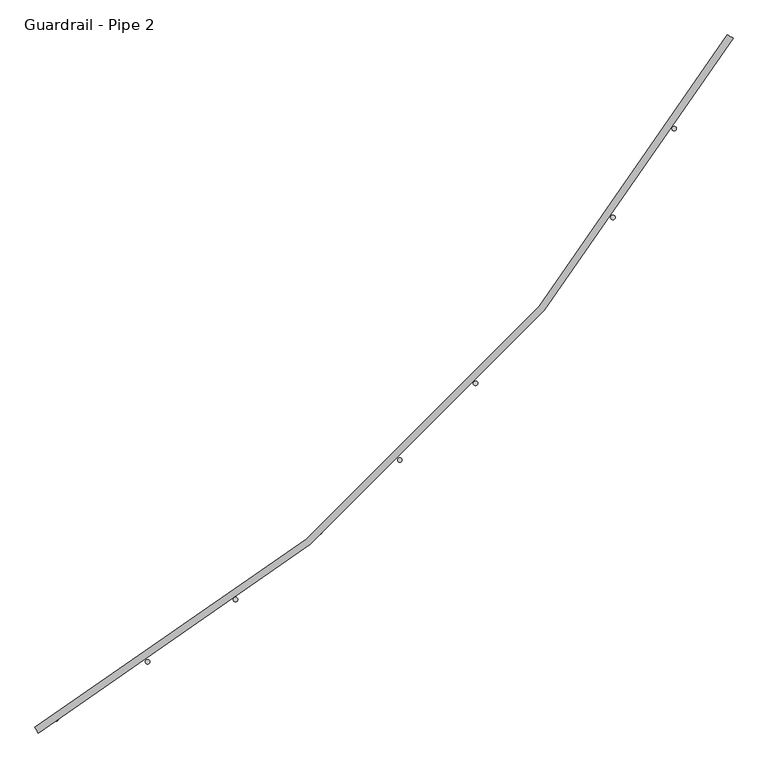
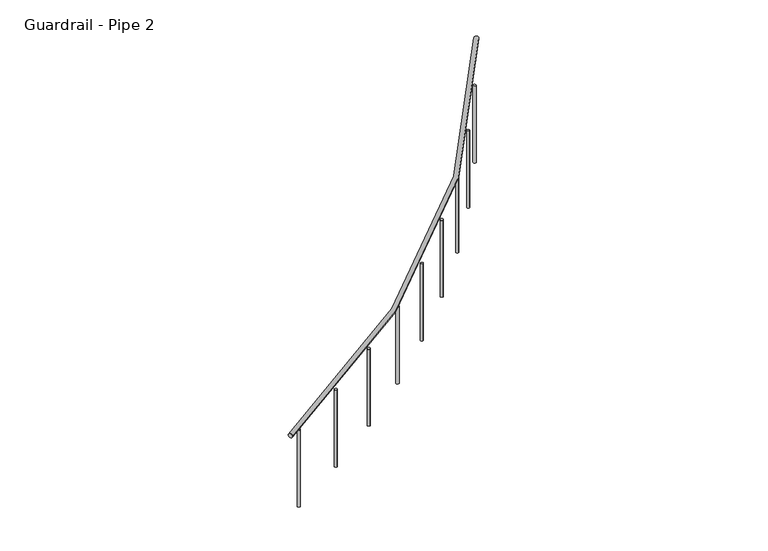
"""IFC4 building model written with IfcOpenShell, lengths in millimetres: railing geometry, Guardrail - Pipe 2."""

import ifcopenshell
import ifcopenshell.guid

model = None  # the IFC model being written
_history = None  # IfcOwnerHistory: only IFC2X3 demands one
_inside = {}  # id of a spatial element -> (the spatial element, [elements in it])
_under = {}  # id of a project, library or spatial element -> (it, [spatial elements below it])
_declared = {}  # id of a project -> (the project, [libraries it declares])
_typed = {}  # id of a type object -> (the type object, [elements of that type])
_made_of = {}  # id of a material, layer set ... -> (it, [elements and type objects made of it])


def new_model(schema):
    """Start an empty IFC model of exactly this schema.

    Asked for "IFC4X3", IfcOpenShell would pick the latest addendum, in which some entities
    have other attributes; the version numbers below select the first issue.
    IFC2X3 requires an IfcOwnerHistory on every rooted entity: one is made here for all.
    """
    global model, _history
    if schema == "IFC4X3":
        model = ifcopenshell.file(schema_version=(4, 3, 0, 0))
    else:
        model = ifcopenshell.file(schema=schema)
    _inside.clear()
    _under.clear()
    _declared.clear()
    _typed.clear()
    _made_of.clear()
    _history = None
    if model.schema == "IFC2X3":
        org = make("IfcOrganization", Name="unknown")
        user = make(
            "IfcPersonAndOrganization",
            ThePerson=make("IfcPerson", FamilyName="unknown"),
            TheOrganization=org,
        )
        app = make(
            "IfcApplication",
            ApplicationDeveloper=org,
            Version="unknown",
            ApplicationFullName="unknown",
            ApplicationIdentifier="unknown",
        )
        _history = make(
            "IfcOwnerHistory",
            OwningUser=user,
            OwningApplication=app,
            ChangeAction="ADDED",
            CreationDate=0,
        )
    return model


def make(cls, **values):
    """One entity of the class cls with the attributes given. An attribute that is None is left unset."""
    return model.create_entity(
        cls, **{name: value for name, value in values.items() if value is not None}
    )


def rooted(cls, **values):
    """An entity with a GlobalId (a new one), such as an element, a storey or a relation."""
    return make(cls, GlobalId=ifcopenshell.guid.new(), OwnerHistory=_history, **values)


def si_unit(unit_type, name, prefix=None):
    """IfcSIUnit, for example si_unit("LENGTHUNIT", "METRE", prefix="MILLI")."""
    return make("IfcSIUnit", UnitType=unit_type, Prefix=prefix, Name=name)


def assignment(units):
    """IfcUnitAssignment: the units of a project."""
    return None if units is None else make("IfcUnitAssignment", Units=units)


def point(xyz):
    """IfcCartesianPoint."""
    return None if xyz is None else make("IfcCartesianPoint", Coordinates=xyz)


def direction(xyz):
    """IfcDirection."""
    return None if xyz is None else make("IfcDirection", DirectionRatios=xyz)


def frame(location, z_axis=None, x_axis=None):
    """IfcAxis2Placement3D, a coordinate frame: its origin and axes. An axis left out is left unset."""
    return make(
        "IfcAxis2Placement3D",
        Location=point(location),
        Axis=direction(z_axis),
        RefDirection=direction(x_axis),
    )


def frame_2d(location, x_axis=None):
    """IfcAxis2Placement2D, a coordinate frame in the plane: its origin and x axis."""
    return make(
        "IfcAxis2Placement2D", Location=point(location), RefDirection=direction(x_axis)
    )


def origin():
    """The frame at (0, 0, 0) with its axes left unset."""
    return frame((0.0, 0.0, 0.0))


def place(relative_to, where):
    """IfcLocalPlacement: puts the frame where relative to a parent placement (None: the world)."""
    return make(
        "IfcLocalPlacement", PlacementRelTo=relative_to, RelativePlacement=where
    )


def context(
    kind, dimensions, precision=None, world=None, true_north=None, identifier=None
):
    """IfcGeometricRepresentationContext, for example the 3D "Model" context."""
    return make(
        "IfcGeometricRepresentationContext",
        ContextIdentifier=identifier,
        ContextType=kind,
        CoordinateSpaceDimension=dimensions,
        Precision=precision,
        WorldCoordinateSystem=world,
        TrueNorth=true_north,
    )


def project(units=None, contexts=None):
    """IfcProject with its units and contexts."""
    return rooted(
        "IfcProject",
        Name="project",
        RepresentationContexts=contexts,
        UnitsInContext=assignment(units),
    )


def spatial(cls, under=None, at=None, **own):
    """A site, building, storey or space (cls), placed at a placement, below another one or the project."""
    s = rooted(cls, ObjectPlacement=at, **own)
    if under is not None:
        _under.setdefault(under.id(), (under, []))[1].append(s)
    return s


def circle_curve(where, radius):
    """IfcCircle in the frame where."""
    return make("IfcCircle", Position=where, Radius=radius)


def ellipse_curve(where, semi_axis1, semi_axis2):
    """IfcEllipse in the frame where."""
    return make(
        "IfcEllipse", Position=where, SemiAxis1=semi_axis1, SemiAxis2=semi_axis2
    )


def trimmed(basis, trim1, trim2, sense, master):
    """IfcTrimmedCurve: the piece of a basis curve between two trims."""
    return make(
        "IfcTrimmedCurve",
        BasisCurve=basis,
        Trim1=trim1,
        Trim2=trim2,
        SenseAgreement=sense,
        MasterRepresentation=master,
    )


def segment(curve, same_sense, transition):
    """IfcCompositeCurveSegment."""
    return make(
        "IfcCompositeCurveSegment",
        Transition=transition,
        SameSense=same_sense,
        ParentCurve=curve,
    )


def composite_curve(segments, self_intersect=None):
    """IfcCompositeCurve: segments joined end to end."""
    return make("IfcCompositeCurve", Segments=segments, SelfIntersect=self_intersect)


def outline(outer, holes=None, kind="AREA"):
    """IfcArbitraryClosedProfileDef: a profile drawn as a closed curve; with holes, ...WithVoids."""
    if holes is None:
        return make("IfcArbitraryClosedProfileDef", ProfileType=kind, OuterCurve=outer)
    return make(
        "IfcArbitraryProfileDefWithVoids",
        ProfileType=kind,
        OuterCurve=outer,
        InnerCurves=holes,
    )


def extrude(swept, where, along, depth):
    """IfcExtrudedAreaSolid: the profile swept, set in the frame where, extruded along a direction by depth."""
    return make(
        "IfcExtrudedAreaSolid",
        SweptArea=swept,
        Position=where,
        ExtrudedDirection=direction(along),
        Depth=depth,
    )


def shape(context_of_items, identifier, shape_type, items):
    """IfcShapeRepresentation: the items that make up one representation, for example the "Body"."""
    return make(
        "IfcShapeRepresentation",
        ContextOfItems=context_of_items,
        RepresentationIdentifier=identifier,
        RepresentationType=shape_type,
        Items=items,
    )


def source(mapping_origin, context_of_items, identifier, shape_type, items):
    """IfcRepresentationMap: a shape defined once, which mapped items show again and again."""
    return make(
        "IfcRepresentationMap",
        MappingOrigin=mapping_origin,
        MappedRepresentation=shape(context_of_items, identifier, shape_type, items),
    )


def transform(
    local_origin,
    x_axis=None,
    y_axis=None,
    z_axis=None,
    scale=None,
    scale2=None,
    scale3=None,
    uniform=True,
):
    """IfcCartesianTransformationOperator3D, or its non-uniform kind. x_axis, y_axis, z_axis: its Axis1, 2, 3."""
    if uniform:
        return make(
            "IfcCartesianTransformationOperator3D",
            Axis1=direction(x_axis),
            Axis2=direction(y_axis),
            LocalOrigin=point(local_origin),
            Scale=scale,
            Axis3=direction(z_axis),
        )
    return make(
        "IfcCartesianTransformationOperator3DnonUniform",
        Axis1=direction(x_axis),
        Axis2=direction(y_axis),
        LocalOrigin=point(local_origin),
        Scale=scale,
        Axis3=direction(z_axis),
        Scale2=scale2,
        Scale3=scale3,
    )


def mapped(mapping_source, mapping_target):
    """IfcMappedItem: shows the shape of a source again, moved by a transform."""
    return make(
        "IfcMappedItem", MappingSource=mapping_source, MappingTarget=mapping_target
    )


def made_of(thing, what):
    """Note that an element or type object is made of a material, layer set ...; save() writes the relation."""
    if what is not None:
        _made_of.setdefault(what.id(), (what, []))[1].append(thing)
    return thing


def element(
    cls,
    number,
    at=None,
    inside=None,
    cuts=None,
    type_object=None,
    material=None,
    context=None,
    identifier="Body",
    shape_type=None,
    held_by="IfcProductDefinitionShape",
    body=None,
    shapes=None,
    **own,
):
    """One element of the class cls, such as IfcWall. Its Tag is "e" and its number.

    at: its placement. inside: the storey or other place that contains it. cuts: it is an
    opening in that element (IfcRelVoidsElement). A single representation is given by context,
    identifier, shape_type and body (its items); several are given by shapes. held_by: the class
    of the entity that holds the representations. save() writes the other relations.
    """
    e = rooted(cls, Tag="e%d" % number, ObjectPlacement=at, **own)
    if body is not None:
        shapes = [shape(context, identifier, shape_type, body)]
    if shapes is not None:
        e.Representation = make(held_by, Representations=shapes)
    if inside is not None:
        _inside.setdefault(inside.id(), (inside, []))[1].append(e)
    if cuts is not None:
        rooted(
            "IfcRelVoidsElement", RelatingBuildingElement=cuts, RelatedOpeningElement=e
        )
    if type_object is not None:
        _typed.setdefault(type_object.id(), (type_object, []))[1].append(e)
    return made_of(e, material)


def aggregate(whole, parts):
    """IfcRelAggregates: a whole, such as a stair, and the parts it consists of."""
    return rooted("IfcRelAggregates", RelatingObject=whole, RelatedObjects=parts)


def save(model, path):
    """Write the relations noted so far, then the file.

    IfcRelAggregates (storeys below a building ...), IfcRelContainedInSpatialStructure (elements
    in a storey), IfcRelDefinesByType, IfcRelAssociatesMaterial and IfcRelDeclares: one each for
    every whole, place, type object, material and project.
    """
    for whole, parts in _under.values():
        aggregate(whole, parts)
    for where, things in _inside.values():
        rooted(
            "IfcRelContainedInSpatialStructure",
            RelatedElements=things,
            RelatingStructure=where,
        )
    for kind, things in _typed.values():
        rooted("IfcRelDefinesByType", RelatedObjects=things, RelatingType=kind)
    for what, things in _made_of.values():
        rooted("IfcRelAssociatesMaterial", RelatedObjects=things, RelatingMaterial=what)
    for by, libraries in _declared.values():
        rooted("IfcRelDeclares", RelatingContext=by, RelatedDefinitions=libraries)
    model.write(path)


def plane_surface(at):
    """IfcPlane: the flat surface through the origin of the frame at, square to its z axis."""
    return make("IfcPlane", Position=at)


def revolved_surface(curve, axis_point, axis_direction):
    """IfcSurfaceOfRevolution: the curve turned about the line through axis_point along axis_direction."""
    return make(
        "IfcSurfaceOfRevolution",
        SweptCurve=make("IfcArbitraryOpenProfileDef", ProfileType="CURVE", Curve=curve),
        AxisPosition=make("IfcAxis1Placement", Location=point(axis_point), Axis=direction(axis_direction)),
    )


def advanced_brep(points, edges, surfaces, faces):
    """IfcAdvancedBrep: a solid bounded by faces that lie on surfaces and meet in shared edges.

    An edge is (start, end): straight between two places in points (the first is 0);
    or (start, end, curve); or (start, end, curve, False) where it runs against its curve.
    A face is (place in surfaces, loops), or (place, loops, False) where it looks against
    its surface's normal. A loop lists edges by number (the first is 1), with a minus sign
    where the edge is run from its end to its start. The first loop is the outer one.
    """
    corners = [point(p) for p in points]
    vertices = [make("IfcVertexPoint", VertexGeometry=c) for c in corners]
    made = []
    for start, end, *more in edges:
        made.append(
            make(
                "IfcEdgeCurve",
                EdgeStart=vertices[start],
                EdgeEnd=vertices[end],
                EdgeGeometry=more[0] if more else make("IfcPolyline", Points=[corners[start], corners[end]]),
                SameSense=more[1] if len(more) > 1 else True,
            )
        )
    hull = []
    for where, loops, *sense in faces:
        bounds = []
        for j, loop in enumerate(loops):
            ring = [make("IfcOrientedEdge", EdgeElement=made[abs(k) - 1], Orientation=k > 0) for k in loop]
            bounds.append(
                make(
                    "IfcFaceOuterBound" if j == 0 else "IfcFaceBound",
                    Bound=make("IfcEdgeLoop", EdgeList=ring),
                    Orientation=True,
                )
            )
        hull.append(make("IfcAdvancedFace", Bounds=bounds, FaceSurface=surfaces[where], SameSense=sense[0] if sense else True))
    return make("IfcAdvancedBrep", Outer=make("IfcClosedShell", CfsFaces=hull))


def guardrail_pipe_2_717c90f6(model_context):
    return source(origin(), model_context, "Body", "SolidModel", [
        advanced_brep(
        [(568406.9904016, -284580.1524943, 5518.15), (572321.7716966, -280665.3711994, 5518.15), (572354.9012904, -280684.1871504, 5518.15), (568425.8063527, -284613.2820882, 5518.15)],
        [
            (0, 1, circle_curve(frame((563260.8277893, -275519.2085871, 5518.15), z_axis=(0.0, 0.0, 1.0), x_axis=(0.8695431446408594, -0.4938569829496041, 0.0)), 10420.35)),
            (1, 2, circle_curve(frame((572338.3364935, -280674.7791749, 5518.15), z_axis=(-0.4938569829496041, -0.8695431446408594, 0.0), x_axis=(-0.8695431446408594, 0.4938569829496041, 0.0)), 19.05)),
            (2, 3, circle_curve(frame((563260.8277893, -275519.2085871, 5518.15), z_axis=(0.0, 0.0, -1.0), x_axis=(0.8695431446408594, -0.4938569829496041, 0.0)), 10458.45)),
            (3, 0, circle_curve(frame((568416.3983772, -284596.7172913, 5518.15), z_axis=(0.8695431446408655, 0.4938569829495934, 0.0), x_axis=(-0.4938569829495934, 0.8695431446408655, 0.0)), 19.05)),
            (2, 1, circle_curve(frame((572338.3364935, -280674.7791749, 5518.15), z_axis=(-0.4938569829496041, -0.8695431446408594, 0.0), x_axis=(-0.8695431446408594, 0.4938569829496041, 0.0)), 19.05)),
            (0, 3, circle_curve(frame((568416.3983772, -284596.7172913, 5518.15), z_axis=(0.8695431446408644, 0.4938569829495953, 0.0), x_axis=(-0.4938569829495953, 0.8695431446408644, 0.0)), 19.05)),
        ],
        [
            revolved_surface(trimmed(ellipse_curve(frame((572338.3364935, -280674.7791749, 5518.15), z_axis=(0.4938569829496041, 0.8695431446408594, 0.0), x_axis=(-0.8695431446408594, 0.4938569829496041, 0.0)), 19.05, 19.05), [point((572354.9012904, -280684.1871504, 5518.15))], [point((572321.7716966, -280665.3711994, 5518.15))], True, "CARTESIAN"), (563260.8277893, -275519.2085871, 5537.2), (0.0, 0.0, -1.0)),
            revolved_surface(trimmed(ellipse_curve(frame((572338.3364935, -280674.7791749, 5518.15), z_axis=(0.4938569829496041, 0.8695431446408594, 0.0), x_axis=(-0.8695431446408594, 0.4938569829496041, 0.0)), 19.05, 19.05), [point((572321.7716966, -280665.3711994, 5518.15))], [point((572354.9012904, -280684.1871504, 5518.15))], True, "CARTESIAN"), (563260.8277893, -275519.2085871, 5537.2), (0.0, 0.0, -1.0)),
            plane_surface(frame((572338.3364935, -280674.7791749, 5537.2), z_axis=(0.4938569829496041, 0.8695431446408594, 0.0), x_axis=(0.8695431446408594, -0.4938569829496041, 0.0))),
            plane_surface(frame((568416.3983772, -284596.7172913, 5537.2), z_axis=(-0.8695431446408617, -0.4938569829496002, 0.0), x_axis=(0.4938569829496002, -0.8695431446408617, 0.0))),
        ],
        [
            (0, [[1, 2, 3, 4]]),
            (1, [[-3, 5, -1, 6]]),
            (2, [[-2, -5]]),
            (3, [[-6, -4]]),
        ],
    ),
        extrude(outline(composite_curve([segment(trimmed(circle_curve(frame_2d((568526.8405552, -284533.0968663)), 12.7), [point((568533.2468968, -284544.0626671))], [point((568520.4342137, -284522.1310654))], False, "CARTESIAN"), True, "CONTINUOUS"), segment(trimmed(circle_curve(frame_2d((568526.8405552, -284533.0968663)), 12.7), [point((568520.4342137, -284522.1310654))], [point((568533.2468968, -284544.0626671))], False, "CARTESIAN"), True, "CONTINUOUS")], self_intersect=False)), frame((0.0, 0.0, 4775.2), z_axis=(0.0, 0.0, 1.0), x_axis=(1.0, 0.0, 0.0)), (0.0, 0.0, 1.0), 723.9),
        extrude(outline(composite_curve([segment(trimmed(circle_curve(frame_2d((569043.92423, -284210.403437)), 12.7), [point((569050.9596271, -284220.9766667))], [point((569036.8888328, -284199.8302072))], False, "CARTESIAN"), True, "CONTINUOUS"), segment(trimmed(circle_curve(frame_2d((569043.92423, -284210.403437)), 12.7), [point((569036.8888328, -284199.8302072))], [point((569050.9596271, -284220.9766667))], False, "CARTESIAN"), True, "CONTINUOUS")], self_intersect=False)), frame((0.0, 0.0, 4775.2), z_axis=(0.0, 0.0, 1.0), x_axis=(1.0, 0.0, 0.0)), (0.0, 0.0, 1.0), 723.9),
        extrude(outline(composite_curve([segment(trimmed(circle_curve(frame_2d((569541.2938543, -283858.0825139)), 12.7), [point((569548.9343239, -283868.2271294))], [point((569533.6533846, -283847.9378984))], False, "CARTESIAN"), True, "CONTINUOUS"), segment(trimmed(circle_curve(frame_2d((569541.2938543, -283858.0825139)), 12.7), [point((569533.6533846, -283847.9378984))], [point((569548.9343239, -283868.2271294))], False, "CARTESIAN"), True, "CONTINUOUS")], self_intersect=False)), frame((0.0, 0.0, 4775.2), z_axis=(0.0, 0.0, 1.0), x_axis=(1.0, 0.0, 0.0)), (0.0, 0.0, 1.0), 723.9),
        extrude(outline(composite_curve([segment(trimmed(circle_curve(frame_2d((570017.2539402, -283477.3351271)), 12.7), [point((570025.4734368, -283487.0165463))], [point((570009.0344437, -283467.653708))], False, "CARTESIAN"), True, "CONTINUOUS"), segment(trimmed(circle_curve(frame_2d((570017.2539402, -283477.3351271)), 12.7), [point((570009.0344437, -283467.653708))], [point((570025.4734368, -283487.0165463))], False, "CARTESIAN"), True, "CONTINUOUS")], self_intersect=False)), frame((0.0, 0.0, 4775.2), z_axis=(0.0, 0.0, 1.0), x_axis=(1.0, 0.0, 0.0)), (0.0, 0.0, 1.0), 723.9),
        extrude(outline(composite_curve([segment(trimmed(circle_curve(frame_2d((570470.1819832, -283069.4592099)), 12.7), [point((570478.9524871, -283078.6444296))], [point((570461.4114793, -283060.2739902))], False, "CARTESIAN"), True, "CONTINUOUS"), segment(trimmed(circle_curve(frame_2d((570470.1819832, -283069.4592099)), 12.7), [point((570461.4114793, -283060.2739902))], [point((570478.9524871, -283078.6444296))], False, "CARTESIAN"), True, "CONTINUOUS")], self_intersect=False)), frame((0.0, 0.0, 4775.2), z_axis=(0.0, 0.0, 1.0), x_axis=(1.0, 0.0, 0.0)), (0.0, 0.0, 1.0), 723.9),
        extrude(outline(composite_curve([segment(trimmed(circle_curve(frame_2d((570898.5339927, -282635.8451741)), 12.7), [point((570907.825606, -282644.5028829))], [point((570889.2423793, -282627.1874654))], False, "CARTESIAN"), True, "CONTINUOUS"), segment(trimmed(circle_curve(frame_2d((570898.5339927, -282635.8451741)), 12.7), [point((570889.2423793, -282627.1874654))], [point((570907.825606, -282644.5028829))], False, "CARTESIAN"), True, "CONTINUOUS")], self_intersect=False)), frame((0.0, 0.0, 4775.2), z_axis=(0.0, 0.0, 1.0), x_axis=(1.0, 0.0, 0.0)), (0.0, 0.0, 1.0), 723.9),
        extrude(outline(composite_curve([segment(trimmed(circle_curve(frame_2d((571300.8497554, -282177.9711707)), 12.7), [point((571310.6308041, -282186.0718551))], [point((571291.0687068, -282169.8704863))], False, "CARTESIAN"), True, "CONTINUOUS"), segment(trimmed(circle_curve(frame_2d((571300.8497554, -282177.9711707)), 12.7), [point((571291.0687068, -282169.8704863))], [point((571310.6308041, -282186.0718551))], False, "CARTESIAN"), True, "CONTINUOUS")], self_intersect=False)), frame((0.0, 0.0, 4775.2), z_axis=(0.0, 0.0, 1.0), x_axis=(1.0, 0.0, 0.0)), (0.0, 0.0, 1.0), 723.9),
        extrude(outline(composite_curve([segment(trimmed(circle_curve(frame_2d((571675.7578137, -281697.3980505)), 12.7), [point((571685.9949548, -281704.9140961))], [point((571665.5206725, -281689.8820049))], False, "CARTESIAN"), True, "CONTINUOUS"), segment(trimmed(circle_curve(frame_2d((571675.7578137, -281697.3980505)), 12.7), [point((571665.5206725, -281689.8820049))], [point((571685.9949548, -281704.9140961))], False, "CARTESIAN"), True, "CONTINUOUS")], self_intersect=False)), frame((0.0, 0.0, 4775.2), z_axis=(0.0, 0.0, 1.0), x_axis=(1.0, 0.0, 0.0)), (0.0, 0.0, 1.0), 723.9),
        extrude(outline(composite_curve([segment(trimmed(circle_curve(frame_2d((572021.9801399, -281195.7640436)), 12.7), [point((572032.638476, -281202.6698289))], [point((572011.3218037, -281188.8582584))], False, "CARTESIAN"), True, "CONTINUOUS"), segment(trimmed(circle_curve(frame_2d((572021.9801399, -281195.7640436)), 12.7), [point((572011.3218037, -281188.8582584))], [point((572032.638476, -281202.6698289))], False, "CARTESIAN"), True, "CONTINUOUS")], self_intersect=False)), frame((0.0, 0.0, 4775.2), z_axis=(0.0, 0.0, 1.0), x_axis=(1.0, 0.0, 0.0)), (0.0, 0.0, 1.0), 723.9),
    ])


if __name__ == "__main__":
    model = new_model("IFC4")
    model_context = context("Model", 3, world=origin())
    ifc_project = project(units=[si_unit("LENGTHUNIT", "METRE", prefix="MILLI")], contexts=[model_context])
    site = spatial("IfcSite", under=ifc_project)
    building = spatial("IfcBuilding", under=site)
    placement = place(None, origin())
    guardrail_pipe_2_shape = guardrail_pipe_2_717c90f6(model_context)
    element("IfcRailing", 1, ObjectType="Guardrail - Pipe 2", at=placement, inside=building, context=model_context, shape_type="MappedRepresentation", body=[
        mapped(guardrail_pipe_2_shape, transform((0.0, 0.0, 0.0), x_axis=(1.0, 0.0, 0.0), y_axis=(0.0, 1.0, 0.0), z_axis=(0.0, 0.0, 1.0))),
    ])
    save(model, "model.ifc")
